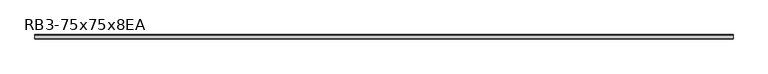
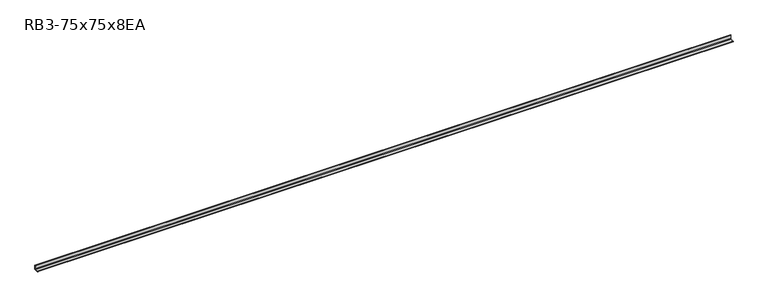
"""IFC4 building model written with IfcOpenShell, lengths in millimetres: member geometry, RB3-75x75x8EA."""

from ifc_helpers import new_model, si_unit, point, frame, frame_2d, origin, place, context, project, spatial, polyline, circle_curve, trimmed, segment, composite_curve, outline, extrude, source, transform, mapped, element, save


def rb3_75x75x8ea_387cb708(model_context):
    return source(origin(), model_context, "Body", "SweptSolid", [
        extrude(outline(composite_curve([segment(polyline([(21.3, -21.3), (-53.7, -21.3), (-53.7, -18.3)]), True, "CONTINUOUS"), segment(trimmed(circle_curve(frame_2d((-48.7, -18.3)), 5.0), [point((-53.7, -18.3))], [point((-48.7, -13.3))], False, "CARTESIAN"), True, "CONTINUOUS"), segment(polyline([(-48.7, -13.3), (5.3, -13.3)]), True, "CONTINUOUS"), segment(trimmed(circle_curve(frame_2d((5.3, -5.3)), 8.0), [point((5.3, -13.3))], [point((13.3, -5.3))], True, "CARTESIAN"), True, "CONTINUOUS"), segment(polyline([(13.3, -5.3), (13.3, 48.7)]), True, "CONTINUOUS"), segment(trimmed(circle_curve(frame_2d((18.3, 48.7)), 5.0), [point((13.3, 48.7))], [point((18.3, 53.7))], False, "CARTESIAN"), True, "CONTINUOUS"), segment(polyline([(18.3, 53.7), (21.3, 53.7), (21.3, -21.3)]), True, "CONTINUOUS")], self_intersect=False)), frame((-5923.1739917, 0.0, 0.0), z_axis=(1.0, 0.0, 0.0), x_axis=(0.0, 1.0, 0.0)), (0.0, 0.0, 1.0), 11786.1739917),
    ])


if __name__ == "__main__":
    model = new_model("IFC4")
    model_context = context("Model", 3, world=origin())
    ifc_project = project(units=[si_unit("LENGTHUNIT", "METRE", prefix="MILLI")], contexts=[model_context])
    site = spatial("IfcSite", under=ifc_project)
    building = spatial("IfcBuilding", under=site)
    placement = place(None, origin())
    rb3_75x75x8ea_shape = rb3_75x75x8ea_387cb708(model_context)
    element("IfcMember", 1, ObjectType="RB3-75x75x8EA", at=placement, inside=building, context=model_context, shape_type="MappedRepresentation", body=[
        mapped(rb3_75x75x8ea_shape, transform((0.0, 0.0, 0.0), x_axis=(1.0, 0.0, 0.0), y_axis=(0.0, 1.0, 0.0), z_axis=(0.0, 0.0, 1.0))),
    ])
    save(model, "model.ifc")
